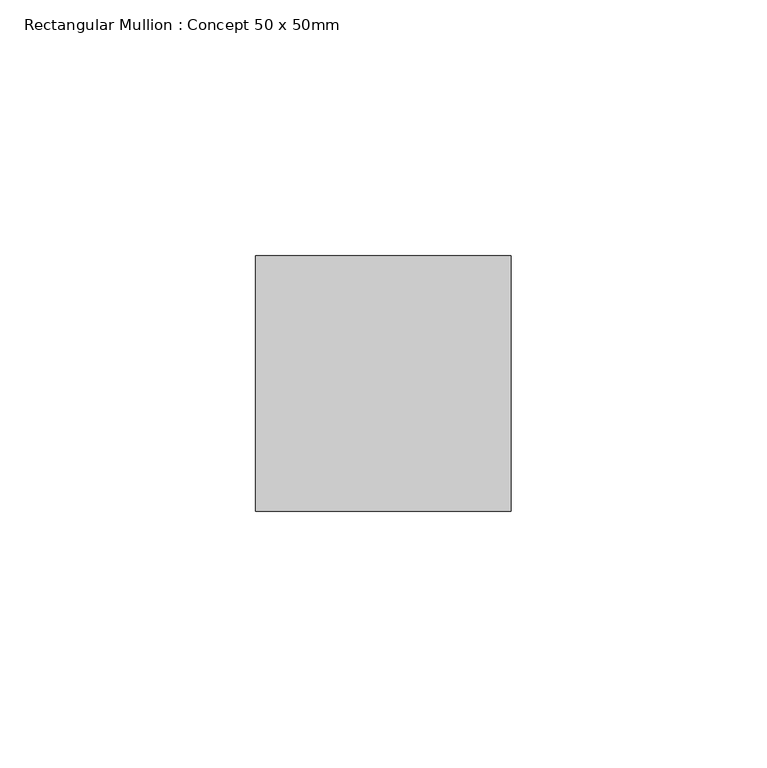
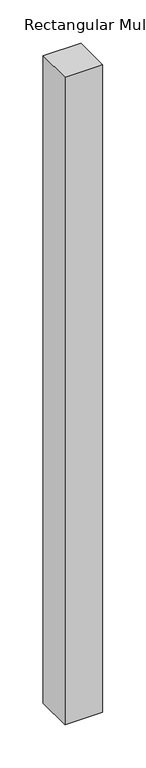
"""IFC4 building model written with IfcOpenShell, lengths in millimetres: member geometry, Rectangular Mullion : Concept 50 x 50mm."""

from ifc_helpers import new_model, si_unit, frame, origin, place, context, project, spatial, polyline, outline, extrude, source, transform, mapped, element, save


def rectangular_mullion_concept_50_x_50mm_84de82ab(model_context):
    return source(origin(), model_context, "Body", "SweptSolid", [
        extrude(outline(polyline([(25.0, 50.0), (25.0, 0.0), (-25.0, 0.0), (-25.0, 50.0), (25.0, 50.0)])), frame((0.0, 0.0, -910.0), z_axis=(0.0, 0.0, 1.0), x_axis=(1.0, 0.0, 0.0)), (0.0, 0.0, 1.0), 910.0),
    ])


if __name__ == "__main__":
    model = new_model("IFC4")
    model_context = context("Model", 3, world=origin())
    ifc_project = project(units=[si_unit("LENGTHUNIT", "METRE", prefix="MILLI")], contexts=[model_context])
    site = spatial("IfcSite", under=ifc_project)
    building = spatial("IfcBuilding", under=site)
    placement = place(None, origin())
    rectangular_mullion_concept_50_x_50mm_shape = rectangular_mullion_concept_50_x_50mm_84de82ab(model_context)
    element("IfcMember", 1, ObjectType="Rectangular Mullion : Concept 50 x 50mm", at=placement, inside=building, context=model_context, shape_type="MappedRepresentation", body=[
        mapped(rectangular_mullion_concept_50_x_50mm_shape, transform((0.0, 0.0, 0.0), x_axis=(1.0, 0.0, 0.0), y_axis=(0.0, 1.0, 0.0), z_axis=(0.0, 0.0, 1.0))),
    ])
    save(model, "model.ifc")
